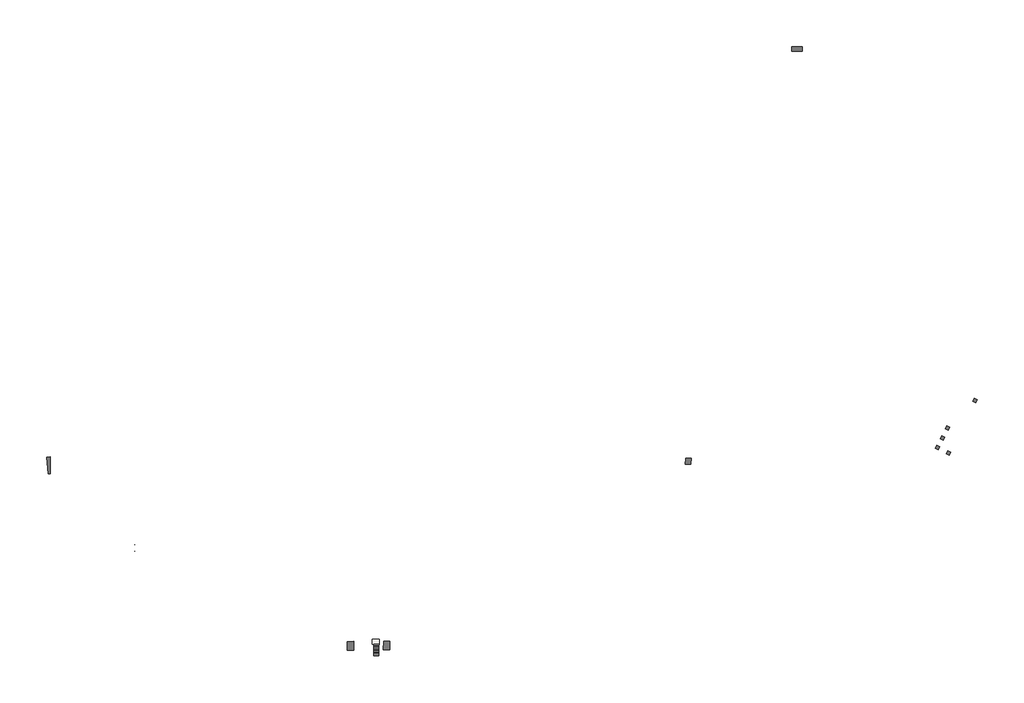
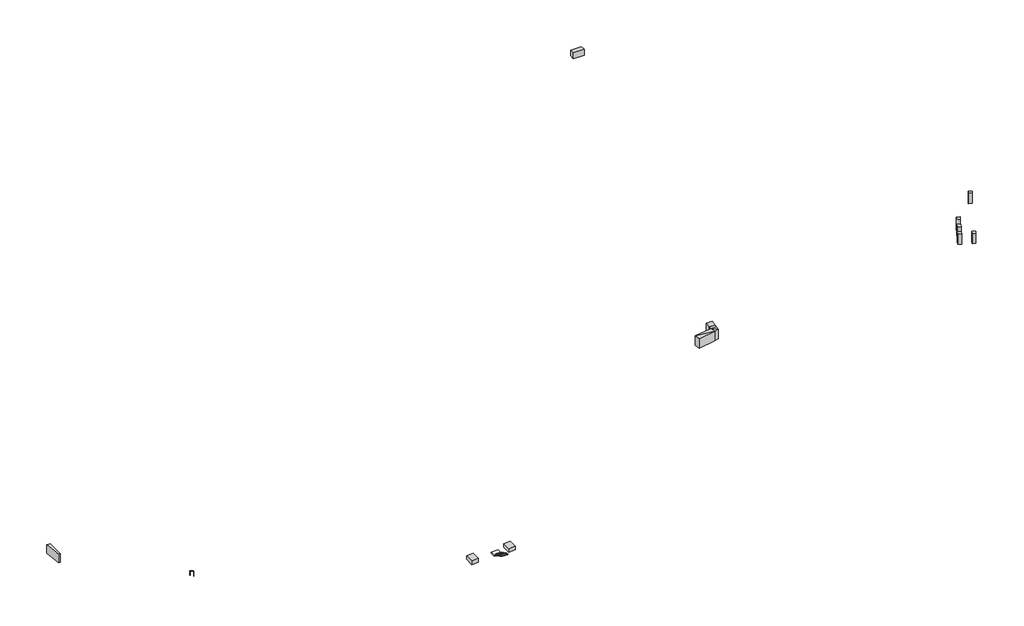
# One storey: 10 proxies, 1 railing, 1 slab, 1 stair flight.
"""IFC4 building model written with IfcOpenShell, lengths in millimetres."""

import ifcopenshell
import ifcopenshell.guid

model = None  # the IFC model being written
_history = None  # IfcOwnerHistory: only IFC2X3 demands one
_inside = {}  # id of a spatial element -> (the spatial element, [elements in it])
_under = {}  # id of a project, library or spatial element -> (it, [spatial elements below it])
_declared = {}  # id of a project -> (the project, [libraries it declares])
_typed = {}  # id of a type object -> (the type object, [elements of that type])
_made_of = {}  # id of a material, layer set ... -> (it, [elements and type objects made of it])


def new_model(schema):
    """Start an empty IFC model of exactly this schema.

    Asked for "IFC4X3", IfcOpenShell would pick the latest addendum, in which some entities
    have other attributes; the version numbers below select the first issue.
    IFC2X3 requires an IfcOwnerHistory on every rooted entity: one is made here for all.
    """
    global model, _history
    if schema == "IFC4X3":
        model = ifcopenshell.file(schema_version=(4, 3, 0, 0))
    else:
        model = ifcopenshell.file(schema=schema)
    _inside.clear()
    _under.clear()
    _declared.clear()
    _typed.clear()
    _made_of.clear()
    _history = None
    if model.schema == "IFC2X3":
        org = make("IfcOrganization", Name="unknown")
        user = make(
            "IfcPersonAndOrganization",
            ThePerson=make("IfcPerson", FamilyName="unknown"),
            TheOrganization=org,
        )
        app = make(
            "IfcApplication",
            ApplicationDeveloper=org,
            Version="unknown",
            ApplicationFullName="unknown",
            ApplicationIdentifier="unknown",
        )
        _history = make(
            "IfcOwnerHistory",
            OwningUser=user,
            OwningApplication=app,
            ChangeAction="ADDED",
            CreationDate=0,
        )
    return model


def make(cls, **values):
    """One entity of the class cls with the attributes given. An attribute that is None is left unset."""
    return model.create_entity(
        cls, **{name: value for name, value in values.items() if value is not None}
    )


def rooted(cls, **values):
    """An entity with a GlobalId (a new one), such as an element, a storey or a relation."""
    return make(cls, GlobalId=ifcopenshell.guid.new(), OwnerHistory=_history, **values)


def si_unit(unit_type, name, prefix=None):
    """IfcSIUnit, for example si_unit("LENGTHUNIT", "METRE", prefix="MILLI")."""
    return make("IfcSIUnit", UnitType=unit_type, Prefix=prefix, Name=name)


def assignment(units):
    """IfcUnitAssignment: the units of a project."""
    return None if units is None else make("IfcUnitAssignment", Units=units)


def point(xyz):
    """IfcCartesianPoint."""
    return None if xyz is None else make("IfcCartesianPoint", Coordinates=xyz)


def direction(xyz):
    """IfcDirection."""
    return None if xyz is None else make("IfcDirection", DirectionRatios=xyz)


def frame(location, z_axis=None, x_axis=None):
    """IfcAxis2Placement3D, a coordinate frame: its origin and axes. An axis left out is left unset."""
    return make(
        "IfcAxis2Placement3D",
        Location=point(location),
        Axis=direction(z_axis),
        RefDirection=direction(x_axis),
    )


def origin():
    """The frame at (0, 0, 0) with its axes left unset."""
    return frame((0.0, 0.0, 0.0))


def place(relative_to, where):
    """IfcLocalPlacement: puts the frame where relative to a parent placement (None: the world)."""
    return make(
        "IfcLocalPlacement", PlacementRelTo=relative_to, RelativePlacement=where
    )


def context(
    kind, dimensions, precision=None, world=None, true_north=None, identifier=None
):
    """IfcGeometricRepresentationContext, for example the 3D "Model" context."""
    return make(
        "IfcGeometricRepresentationContext",
        ContextIdentifier=identifier,
        ContextType=kind,
        CoordinateSpaceDimension=dimensions,
        Precision=precision,
        WorldCoordinateSystem=world,
        TrueNorth=true_north,
    )


def project(units=None, contexts=None):
    """IfcProject with its units and contexts."""
    return rooted(
        "IfcProject",
        Name="project",
        RepresentationContexts=contexts,
        UnitsInContext=assignment(units),
    )


def spatial(cls, under=None, at=None, **own):
    """A site, building, storey or space (cls), placed at a placement, below another one or the project."""
    s = rooted(cls, ObjectPlacement=at, **own)
    if under is not None:
        _under.setdefault(under.id(), (under, []))[1].append(s)
    return s


def polyline(points):
    """IfcPolyline through the points."""
    return make("IfcPolyline", Points=[point(p) for p in points])


def circle_curve(where, radius):
    """IfcCircle in the frame where."""
    return make("IfcCircle", Position=where, Radius=radius)


def ellipse_curve(where, semi_axis1, semi_axis2):
    """IfcEllipse in the frame where."""
    return make(
        "IfcEllipse", Position=where, SemiAxis1=semi_axis1, SemiAxis2=semi_axis2
    )


def outline(outer, holes=None, kind="AREA"):
    """IfcArbitraryClosedProfileDef: a profile drawn as a closed curve; with holes, ...WithVoids."""
    if holes is None:
        return make("IfcArbitraryClosedProfileDef", ProfileType=kind, OuterCurve=outer)
    return make(
        "IfcArbitraryProfileDefWithVoids",
        ProfileType=kind,
        OuterCurve=outer,
        InnerCurves=holes,
    )


def extrude(swept, where, along, depth):
    """IfcExtrudedAreaSolid: the profile swept, set in the frame where, extruded along a direction by depth."""
    return make(
        "IfcExtrudedAreaSolid",
        SweptArea=swept,
        Position=where,
        ExtrudedDirection=direction(along),
        Depth=depth,
    )


def faces_of(points, faces, orient=None, outer=None):
    """IfcFace entities. A face is a list of loops; a loop is a list of indices into points, from 0.

    orient and outer hold one flag for each loop. By default every Orientation is true, the
    first loop of a face is its IfcFaceOuterBound and the others are IfcFaceBound.
    """
    made = []
    for i, loops in enumerate(faces):
        bounds = []
        for j, loop in enumerate(loops):
            is_outer = j == 0 if outer is None else outer[i][j]
            bounds.append(
                make(
                    "IfcFaceOuterBound" if is_outer else "IfcFaceBound",
                    Bound=make("IfcPolyLoop", Polygon=[points[k] for k in loop]),
                    Orientation=True if orient is None else orient[i][j],
                )
            )
        made.append(make("IfcFace", Bounds=bounds))
    return made


def faceted_brep(points, faces, orient=None, outer=None, voids=None):
    """IfcFacetedBrep: a solid bounded by flat faces; with voids (closed shells), ...WithVoids."""
    shared = [point(p) for p in points]
    hull = make("IfcClosedShell", CfsFaces=faces_of(shared, faces, orient, outer))
    if voids is None:
        return make("IfcFacetedBrep", Outer=hull)
    return make(
        "IfcFacetedBrepWithVoids",
        Outer=hull,
        Voids=[
            make(cls, CfsFaces=faces_of(shared, fs, o, b)) for cls, fs, o, b in voids
        ],
    )


def shape(context_of_items, identifier, shape_type, items):
    """IfcShapeRepresentation: the items that make up one representation, for example the "Body"."""
    return make(
        "IfcShapeRepresentation",
        ContextOfItems=context_of_items,
        RepresentationIdentifier=identifier,
        RepresentationType=shape_type,
        Items=items,
    )


def made_of(thing, what):
    """Note that an element or type object is made of a material, layer set ...; save() writes the relation."""
    if what is not None:
        _made_of.setdefault(what.id(), (what, []))[1].append(thing)
    return thing


def element(
    cls,
    number,
    at=None,
    inside=None,
    cuts=None,
    type_object=None,
    material=None,
    context=None,
    identifier="Body",
    shape_type=None,
    held_by="IfcProductDefinitionShape",
    body=None,
    shapes=None,
    **own,
):
    """One element of the class cls, such as IfcWall. Its Tag is "e" and its number.

    at: its placement. inside: the storey or other place that contains it. cuts: it is an
    opening in that element (IfcRelVoidsElement). A single representation is given by context,
    identifier, shape_type and body (its items); several are given by shapes. held_by: the class
    of the entity that holds the representations. save() writes the other relations.
    """
    e = rooted(cls, Tag="e%d" % number, ObjectPlacement=at, **own)
    if body is not None:
        shapes = [shape(context, identifier, shape_type, body)]
    if shapes is not None:
        e.Representation = make(held_by, Representations=shapes)
    if inside is not None:
        _inside.setdefault(inside.id(), (inside, []))[1].append(e)
    if cuts is not None:
        rooted(
            "IfcRelVoidsElement", RelatingBuildingElement=cuts, RelatedOpeningElement=e
        )
    if type_object is not None:
        _typed.setdefault(type_object.id(), (type_object, []))[1].append(e)
    return made_of(e, material)


def aggregate(whole, parts):
    """IfcRelAggregates: a whole, such as a stair, and the parts it consists of."""
    return rooted("IfcRelAggregates", RelatingObject=whole, RelatedObjects=parts)


def save(model, path):
    """Write the relations noted so far, then the file.

    IfcRelAggregates (storeys below a building ...), IfcRelContainedInSpatialStructure (elements
    in a storey), IfcRelDefinesByType, IfcRelAssociatesMaterial and IfcRelDeclares: one each for
    every whole, place, type object, material and project.
    """
    for whole, parts in _under.values():
        aggregate(whole, parts)
    for where, things in _inside.values():
        rooted(
            "IfcRelContainedInSpatialStructure",
            RelatedElements=things,
            RelatingStructure=where,
        )
    for kind, things in _typed.values():
        rooted("IfcRelDefinesByType", RelatedObjects=things, RelatingType=kind)
    for what, things in _made_of.values():
        rooted("IfcRelAssociatesMaterial", RelatedObjects=things, RelatingMaterial=what)
    for by, libraries in _declared.values():
        rooted("IfcRelDeclares", RelatingContext=by, RelatedDefinitions=libraries)
    model.write(path)


def plane_surface(at):
    """IfcPlane: the flat surface through the origin of the frame at, square to its z axis."""
    return make("IfcPlane", Position=at)


def cylinder_surface(at, radius):
    """IfcCylindricalSurface: all points at the distance radius from the z axis of the frame at."""
    return make("IfcCylindricalSurface", Position=at, Radius=radius)


def advanced_brep(points, edges, surfaces, faces):
    """IfcAdvancedBrep: a solid bounded by faces that lie on surfaces and meet in shared edges.

    An edge is (start, end): straight between two places in points (the first is 0);
    or (start, end, curve); or (start, end, curve, False) where it runs against its curve.
    A face is (place in surfaces, loops), or (place, loops, False) where it looks against
    its surface's normal. A loop lists edges by number (the first is 1), with a minus sign
    where the edge is run from its end to its start. The first loop is the outer one.
    """
    corners = [point(p) for p in points]
    vertices = [make("IfcVertexPoint", VertexGeometry=c) for c in corners]
    made = []
    for start, end, *more in edges:
        made.append(
            make(
                "IfcEdgeCurve",
                EdgeStart=vertices[start],
                EdgeEnd=vertices[end],
                EdgeGeometry=more[0] if more else make("IfcPolyline", Points=[corners[start], corners[end]]),
                SameSense=more[1] if len(more) > 1 else True,
            )
        )
    hull = []
    for where, loops, *sense in faces:
        bounds = []
        for j, loop in enumerate(loops):
            ring = [make("IfcOrientedEdge", EdgeElement=made[abs(k) - 1], Orientation=k > 0) for k in loop]
            bounds.append(
                make(
                    "IfcFaceOuterBound" if j == 0 else "IfcFaceBound",
                    Bound=make("IfcEdgeLoop", EdgeList=ring),
                    Orientation=True,
                )
            )
        hull.append(make("IfcAdvancedFace", Bounds=bounds, FaceSurface=surfaces[where], SameSense=sense[0] if sense else True))
    return make("IfcAdvancedBrep", Outer=make("IfcClosedShell", CfsFaces=hull))


model = new_model("IFC4")

# Units and contexts
model_context = context("Model", 3, world=origin())
ifc_project = project(units=[si_unit("LENGTHUNIT", "METRE", prefix="MILLI")], contexts=[model_context])

# Site, building, storey
site = spatial("IfcSite", under=ifc_project)
building = spatial("IfcBuilding", under=site)
storey = spatial("IfcBuildingStorey", under=building, Elevation=-3934.3300331)

# Proxies
placement = place(None, origin())
element("IfcBuildingElementProxy", 1, Name="Massa 113 : Massa 7", ObjectType="Massa 113 : Massa 7", at=placement, inside=storey, context=model_context, shape_type="Brep", body=[
    faceted_brep([(-3447.7298063, -37809.1244094, -3333.4524144), (-3447.7298063, -35816.3892812, -3333.4524144), (-3447.7298063, -35816.3892812, -2415.5), (-3447.7298063, -37809.1244094, -2415.5), (-3447.7298063, -37809.1244094, -2641.8870168), (-3447.7298063, -37809.1244094, -3196.5), (-4943.6373922, -35818.8825215, -3333.4524144), (-4943.6373922, -35818.8825215, -3196.5), (-4943.6373922, -35818.8825215, -2622.1179306), (-4943.6373922, -35818.8825215, -2415.5), (-4960.1053919, -37809.1244094, -3333.4524144), (-4960.1053919, -37809.1244094, -3196.5), (-4960.1053919, -37809.1244094, -2639.0795165), (-4960.1053919, -37809.1244094, -2415.5)], [[[0, 1, 2, 3, 4, 5]], [[1, 6, 7, 8, 9, 2]], [[6, 10, 11, 12, 13, 9, 8, 7]], [[10, 0, 5, 4, 3, 13, 12, 11]], [[3, 2, 9, 13]], [[0, 10, 6, 1]]]),
])
element("IfcBuildingElementProxy", 2, Name="Massa 114 : Massa 8", ObjectType="Massa 114 : Massa 8", at=placement, inside=storey, context=model_context, shape_type="Brep", body=[
    faceted_brep([(3440.0178902, -35804.9094209, -3348.1562613), (3416.5694245, -37758.8282959, -3348.1562613), (3416.5694245, -37758.8282959, -3196.5), (3416.5694245, -37758.8282959, -2635.661353), (3416.5694245, -37758.8282959, -2515.5), (3440.0178902, -35804.9094209, -2515.5), (4907.0787062, -37779.4154406, -3348.1562613), (4907.0787062, -37779.4154406, -3196.5), (4907.0787062, -37779.4154406, -2633.922315), (4907.0787062, -37779.4154406, -2515.5), (4918.7537297, -35802.4448009, -3348.1562613), (4918.7537297, -35802.4448009, -3196.5), (4918.7537297, -35802.4448009, -2617.6160425), (4918.7537297, -35802.4448009, -2515.5)], [[[0, 1, 2, 3, 4, 5]], [[1, 6, 7, 8, 9, 4, 3, 2]], [[6, 10, 11, 12, 13, 9, 8, 7]], [[10, 0, 5, 13, 12, 11]], [[4, 9, 13, 5]], [[0, 10, 6, 1]]]),
])
element("IfcBuildingElementProxy", 3, Name="Massa 16 : Massa 16", ObjectType="Massa 16 : Massa 16", at=placement, inside=storey, context=model_context, shape_type="Brep", body=[
    faceted_brep([(69226.9472829, 3718.215702, -2417.1498784), (69321.6985606, 3078.0591868, -2433.6577781), (69408.7836801, 2489.696603, -2448.8300528), (69408.7836801, 2489.696603, -186.839449), (69226.9472829, 3718.215702, -155.1592746), (73487.0720643, 3431.2436652, -2643.9942912), (73487.0720643, 3431.2436652, -2409.1054455), (73487.0720643, 3431.2436652, -382.0036874), (74383.4925239, 3638.1986352, -2653.180559), (74383.4925239, 3638.1986352, -2399.6695136), (74383.4925239, 3638.1986352, -391.1899552), (74493.8274541, 4562.4558329, -2682.4906039), (74493.8274541, 4562.4558329, -2399.582581), (74493.8274541, 4562.4558329, -2240.5), (74493.8274541, 4562.4558329, -420.5), (74515.2077555, 4741.5550302, -2682.4906039), (74572.0607148, 5217.8027311, -2682.4906039), (74572.0607148, 5217.8027311, -420.5), (74392.4875332, 5217.6583789, -2682.4906039), (73268.1937764, 5216.754601, -2682.4906039), (73268.1937764, 5216.754601, -420.5), (73268.1937764, 4672.318621, -2682.4906039), (73268.1937764, 4577.2091616, -2682.4906039), (73268.1937764, 4577.2091616, -2407.599672), (73268.1937764, 4577.2091616, -420.5), (69275.1210639, 3728.4553553, -2420.3128793), (73295.0102157, 4436.8082364, -2677.7741286), (69293.0283356, 3713.7643267, -2420.6685823), (74073.0832528, 4567.52046, -2682.4906039), (73417.3772722, 4451.6061577, -2678.5700624)], [[[0, 1, 2, 3, 4]], [[2, 5, 6, 7, 3]], [[5, 8, 9, 10, 7, 6]], [[8, 11, 12, 13, 14, 10, 9]], [[11, 15, 16, 17, 14, 13, 12]], [[16, 18, 19, 20, 17]], [[19, 21, 22, 23, 24, 20]], [[22, 25, 0, 4, 24, 23]], [[20, 24, 14, 17]], [[4, 3, 7]], [[24, 4, 7]], [[22, 26, 5, 27, 0, 25]], [[5, 2, 1, 0, 27]], [[22, 21, 19, 18, 16, 15, 11, 28]], [[24, 7, 10]], [[22, 29, 8, 5, 26]], [[24, 10, 14]], [[22, 28, 11, 8, 29]]]),
    faceted_brep([(73268.1937764, 5216.754601, -3297.6589611), (73268.1937764, 5216.754601, -420.5), (73395.8867447, 6617.3687329, -420.5), (73395.8867447, 6617.3687329, -3297.6589611), (74572.0607148, 5217.8027311, -420.5), (74699.7536831, 6618.4168629, -420.5), (74572.0607148, 5217.8027311, -2682.4906039), (74572.0607148, 5217.8027311, -2881.3832932), (74572.0607148, 5217.8027311, -3149.3336572), (74572.0607148, 5217.8027311, -3176.8523774), (74572.0607148, 5217.8027311, -3297.6589611), (74699.7536831, 6618.4168629, -3297.6589611)], [[[0, 1, 2, 3]], [[1, 4, 5, 2]], [[4, 6, 7, 8, 9, 10, 11, 5]], [[10, 0, 3, 11]], [[11, 3, 2, 5]], [[0, 10, 9, 8, 7, 6, 4, 1]]]),
])
element("IfcBuildingElementProxy", 4, Name="Massa 4 : Massa 4", ObjectType="Massa 4 : Massa 4", at=placement, inside=storey, context=model_context, shape_type="Brep", body=[
    faceted_brep([(100309.828737, 100751.3537217, -1932.2284817), (97911.7064305, 100751.3537217, -1932.2284817), (97911.7064305, 100751.3537217, -2435.1023944), (97911.7064305, 100751.3537217, -2820.5), (97911.7064305, 100751.3537217, -3317.705212), (100309.828737, 100751.3537217, -3317.705212), (100309.828737, 100751.3537217, -2820.5), (100309.828737, 100751.3537217, -2397.0751134), (100309.828737, 101865.4936384, -1932.2284817), (100309.828737, 101865.4936384, -3317.705212), (100309.828737, 101865.4936384, -2820.5), (100309.828737, 101865.4936384, -2431.0878775), (97909.6922788, 101842.8746773, -1932.2284817), (97909.6922788, 101842.8746773, -3317.705212), (97909.6922788, 101842.8746773, -2820.5), (97909.6922788, 101842.8746773, -2429.6308857)], [[[0, 1, 2, 3, 4, 5, 6, 7]], [[8, 0, 7, 6, 5, 9, 10, 11]], [[12, 8, 11, 10, 9, 13, 14, 15]], [[1, 12, 15, 14, 13, 4, 3, 2]], [[13, 9, 5, 4]], [[1, 0, 8, 12]]]),
])
element("IfcBuildingElementProxy", 5, Name="Massa 74 : Massa 25", ObjectType="Massa 74 : Massa 25", at=placement, inside=storey, context=model_context, shape_type="Brep", body=[
    faceted_brep([(133346.2437846, 11461.9256599, -3421.4232217), (132644.1262503, 11816.6452111, -3421.4232217), (132644.1262503, 11816.6452111, -2973.75), (132644.1262503, 11816.6452111, -2923.75), (132644.1262503, 11816.6452111, -2675.5), (132644.1262503, 11816.6452111, -2328.9641927), (132644.1262503, 11816.6452111, -877.9693511), (133346.2437846, 11461.9256599, -877.9693511), (133346.2437846, 11461.9256599, -2330.5404091), (133346.2437846, 11461.9256599, -2675.5), (133346.2437846, 11461.9256599, -2923.75), (133346.2437846, 11461.9256599, -2973.75), (132295.6368906, 11126.8594658, -3421.4232217), (132295.6368906, 11126.8594658, -2973.75), (132295.6368906, 11126.8594658, -2923.75), (132295.6368906, 11126.8594658, -2675.5), (132295.6368906, 11126.8594658, -2333.5668332), (132295.6368906, 11126.8594658, -877.9693511), (132997.7544248, 10772.1399146, -3421.4232217), (132997.7544248, 10772.1399146, -2973.75), (132997.7544248, 10772.1399146, -2923.75), (132997.7544248, 10772.1399146, -2675.5), (132997.7544248, 10772.1399146, -2335.0856109), (132997.7544248, 10772.1399146, -877.9693511)], [[[0, 1, 2, 3, 4, 5, 6, 7, 8, 9, 10, 11]], [[1, 12, 13, 14, 15, 16, 17, 6, 5, 4, 3, 2]], [[12, 18, 19, 20, 21, 22, 23, 17, 16, 15, 14, 13]], [[18, 0, 11, 10, 9, 8, 7, 23, 22, 21, 20, 19]], [[17, 23, 7, 6]], [[0, 18, 12, 1]]]),
])
element("IfcBuildingElementProxy", 6, Name="Massa 8 : Massa 8", ObjectType="Massa 8 : Massa 8", at=placement, inside=storey, context=model_context, shape_type="SweptSolid", body=[
    extrude(outline(polyline([(-74140.8944811, 2984.2797819), (-74548.5554878, 6862.9151738), (-73740.8944811, 6947.8037663), (-73740.8944811, 2984.2797819), (-74140.8944811, 2984.2797819)])), frame((0.0, 0.0, -3414.2469863), z_axis=(0.0, 0.0, 1.0), x_axis=(1.0, 0.0, 0.0)), (0.0, 0.0, 1.0), 1993.7469863),
])
element("IfcBuildingElementProxy", 7, Name="Massa 90 : Massa 25", ObjectType="Massa 90 : Massa 25", at=placement, inside=storey, context=model_context, shape_type="Brep", body=[
    faceted_brep([(140878.8091078, 20142.213138, -3275.4676302), (140176.6915736, 20496.9326892, -3275.4676302), (140176.6915736, 20496.9326892, -2965.9679788), (140176.6915736, 20496.9326892, -2915.9679788), (140176.6915736, 20496.9326892, -2675.5), (140176.6915736, 20496.9326892, -2276.2531677), (140176.6915736, 20496.9326892, -877.9693511), (140878.8091078, 20142.213138, -877.9693511), (140878.8091078, 20142.213138, -2275.7838734), (140878.8091078, 20142.213138, -2675.5), (140878.8091078, 20142.213138, -2915.9679788), (140878.8091078, 20142.213138, -2965.9679788), (139828.2022138, 19807.1469439, -3275.4676302), (139828.2022138, 19807.1469439, -2965.9679788), (139828.2022138, 19807.1469439, -2915.9679788), (139828.2022138, 19807.1469439, -2675.5), (139828.2022138, 19807.1469439, -2280.0263945), (139828.2022138, 19807.1469439, -877.9693511), (140530.319748, 19452.4273927, -3275.4676302), (140530.319748, 19452.4273927, -2965.9679788), (140530.319748, 19452.4273927, -2915.9679788), (140530.319748, 19452.4273927, -2675.5), (140530.319748, 19452.4273927, -2278.2678205), (140530.319748, 19452.4273927, -877.9693511)], [[[0, 1, 2, 3, 4, 5, 6, 7, 8, 9, 10, 11]], [[1, 12, 13, 14, 15, 16, 17, 6, 5, 4, 3, 2]], [[12, 18, 19, 20, 21, 22, 23, 17, 16, 15, 14, 13]], [[18, 0, 11, 10, 9, 8, 7, 23, 22, 21, 20, 19]], [[17, 23, 7, 6]], [[0, 18, 12, 1]]]),
])
element("IfcBuildingElementProxy", 8, Name="Massa 93 : Massa 25", ObjectType="Massa 93 : Massa 25", at=placement, inside=storey, context=model_context, shape_type="Brep", body=[
    faceted_brep([(134482.594192, 13711.1717006, -3481.6443606), (133780.4766578, 14065.8912518, -3481.6443606), (133780.4766578, 14065.8912518, -2953.75), (133780.4766578, 14065.8912518, -2903.75), (133780.4766578, 14065.8912518, -2675.5), (133780.4766578, 14065.8912518, -2314.1432471), (133780.4766578, 14065.8912518, -877.9693511), (134482.594192, 13711.1717006, -877.9693511), (134482.594192, 13711.1717006, -2315.7194636), (134482.594192, 13711.1717006, -2675.5), (134482.594192, 13711.1717006, -2903.75), (134482.594192, 13711.1717006, -2953.75), (133431.987298, 13376.1055065, -3481.6443606), (133431.987298, 13376.1055065, -2953.75), (133431.987298, 13376.1055065, -2903.75), (133431.987298, 13376.1055065, -2675.5), (133431.987298, 13376.1055065, -2318.6884488), (133431.987298, 13376.1055065, -877.9693511), (134134.1048322, 13021.3859552, -3481.6443606), (134134.1048322, 13021.3859552, -2953.75), (134134.1048322, 13021.3859552, -2903.75), (134134.1048322, 13021.3859552, -2675.5), (134134.1048322, 13021.3859552, -2320.2646653), (134134.1048322, 13021.3859552, -877.9693511)], [[[0, 1, 2, 3, 4, 5, 6, 7, 8, 9, 10, 11]], [[1, 12, 13, 14, 15, 16, 17, 6, 5, 4, 3, 2]], [[12, 18, 19, 20, 21, 22, 23, 17, 16, 15, 14, 13]], [[18, 0, 11, 10, 9, 8, 7, 23, 22, 21, 20, 19]], [[17, 23, 7, 6]], [[0, 18, 12, 1]]]),
])
element("IfcBuildingElementProxy", 9, Name="Massa 97 : Massa 25", ObjectType="Massa 97 : Massa 25", at=placement, inside=storey, context=model_context, shape_type="Brep", body=[
    faceted_brep([(132203.2300131, 9256.1939847, -3321.0420795), (131514.7287646, 9604.0343989, -3321.0420795), (131514.7287646, 9604.0343989, -2953.75), (131514.7287646, 9604.0343989, -2903.75), (131514.7287646, 9604.0343989, -2675.5), (131514.7287646, 9604.0343989, -2344.0734778), (131514.7287646, 9604.0343989, -877.9693511), (132203.2300131, 9256.1939847, -877.9693511), (132203.2300131, 9256.1939847, -2345.4381761), (132203.2300131, 9256.1939847, -2675.5), (132203.2300131, 9256.1939847, -2903.75), (132203.2300131, 9256.1939847, -2953.75), (131166.2394048, 8914.2486536, -3321.0420795), (131166.2394048, 8914.2486536, -2953.75), (131166.2394048, 8914.2486536, -2903.75), (131166.2394048, 8914.2486536, -2675.5), (131166.2394048, 8914.2486536, -2348.8263645), (131166.2394048, 8914.2486536, -877.9693511), (131854.7406533, 8566.4082394, -3321.0420795), (131854.7406533, 8566.4082394, -2953.75), (131854.7406533, 8566.4082394, -2903.75), (131854.7406533, 8566.4082394, -2675.5), (131854.7406533, 8566.4082394, -2350.1910627), (131854.7406533, 8566.4082394, -877.9693511)], [[[0, 1, 2, 3, 4, 5, 6, 7, 8, 9, 10, 11]], [[1, 12, 13, 14, 15, 16, 17, 6, 5, 4, 3, 2]], [[12, 18, 19, 20, 21, 22, 23, 17, 16, 15, 14, 13]], [[18, 0, 11, 10, 9, 8, 7, 23, 22, 21, 20, 19]], [[17, 23, 7, 6]], [[0, 18, 12, 1]]]),
])
element("IfcBuildingElementProxy", 10, Name="Massa 98 : Massa 25", ObjectType="Massa 98 : Massa 25", at=placement, inside=storey, context=model_context, shape_type="Brep", body=[
    faceted_brep([(134685.8071145, 7994.5871707, -3248.5081002), (134004.0666729, 8339.011931, -3248.5081002), (134004.0666729, 8339.011931, -2953.75), (134004.0666729, 8339.011931, -2903.75), (134004.0666729, 8339.011931, -2675.5), (134004.0666729, 8339.011931, -2349.1875227), (134004.0666729, 8339.011931, -877.9693511), (134685.8071145, 7994.5871707, -877.9693511), (134685.8071145, 7994.5871707, -2350.7179937), (134685.8071145, 7994.5871707, -2675.5), (134685.8071145, 7994.5871707, -2903.75), (134685.8071145, 7994.5871707, -2953.75), (133660.0675285, 7658.1139365, -3248.5081002), (133660.0675285, 7658.1139365, -2953.75), (133660.0675285, 7658.1139365, -2903.75), (133660.0675285, 7658.1139365, -2675.5), (133660.0675285, 7658.1139365, -2353.7456758), (133660.0675285, 7658.1139365, -877.9693511), (134341.8079701, 7313.6891761, -3248.5081002), (134341.8079701, 7313.6891761, -2953.75), (134341.8079701, 7313.6891761, -2903.75), (134341.8079701, 7313.6891761, -2675.5), (134341.8079701, 7313.6891761, -2355.2046314), (134341.8079701, 7313.6891761, -877.9693511)], [[[0, 1, 2, 3, 4, 5, 6, 7, 8, 9, 10, 11]], [[1, 12, 13, 14, 15, 16, 17, 6, 5, 4, 3, 2]], [[12, 18, 19, 20, 21, 22, 23, 17, 16, 15, 14, 13]], [[18, 0, 11, 10, 9, 8, 7, 23, 22, 21, 20, 19]], [[17, 23, 7, 6]], [[0, 18, 12, 1]]]),
])

# Railing
element("IfcRailing", 11, at=placement, inside=storey, context=model_context, shape_type="AdvancedBrep", body=[
    advanced_brep(
    [(-54157.0327929, -13463.1349465, -2391.0), (-54117.0328015, -13463.1087093, -2391.0), (-54156.0488972, -14963.1346238, -1553.9166667), (-54116.0489058, -14963.1083866, -1553.9166667)],
    [
        (0, 1, ellipse_curve(frame((-54137.0327972, -13463.1218279, -2391.0), z_axis=(-0.0006559304633786267, 0.9999997848775906, 0.0), x_axis=(0.0, 0.0, -1.0)), 22.9035019, 20.0)),
        (1, 0, ellipse_curve(frame((-54137.0327972, -13463.1218279, -2391.0), z_axis=(-0.0006559304633786267, 0.9999997848775906, 0.0), x_axis=(0.0, 0.0, -1.0)), 22.9035019, 20.0)),
        (2, 3, ellipse_curve(frame((-54136.0489015, -14963.1215052, -1553.9166667), z_axis=(0.0006559304633786267, -0.9999997848775906, 0.0), x_axis=(0.0, 0.0, -1.0)), 22.9035019, 20.0)),
        (3, 2, ellipse_curve(frame((-54136.0489015, -14963.1215052, -1553.9166667), z_axis=(0.0006559304633786267, -0.9999997848775906, 0.0), x_axis=(0.0, 0.0, -1.0)), 22.9035019, 20.0)),
        (0, 2),
        (3, 1),
    ],
    [
        plane_surface(frame((-54137.0327972, -13463.1218279, -2391.0), z_axis=(-0.0006559304633786267, 0.9999997848775906, 0.0), x_axis=(0.0, 0.0, -1.0))),
        plane_surface(frame((-54136.0489015, -14963.1215052, -1553.9166667), z_axis=(0.0006559304633786267, -0.9999997848775906, 0.0), x_axis=(0.0, 0.0, -1.0))),
        cylinder_surface(frame((-54137.0327972, -13463.1218279, -2391.0), z_axis=(-0.0005727774425260985, 0.8732287205544946, -0.4873102436074596), x_axis=(0.9999997848775904, 0.0006559304633786266, 0.0)), 20.0),
    ],
    [
        (0, [[1, 2]]),
        (1, [[3, 4]]),
        (2, [[-1, 5, -4, 6]]),
        (2, [[-2, -6, -3, -5]]),
    ],
),
    advanced_brep(
    [(-54156.0414753, -14963.1346189, -1576.8201686), (-54156.0414753, -14963.1346189, -2771.3333333), (-54136.0357877, -14983.114079, -2771.3333333), (-54116.0563276, -14963.1083915, -2771.3333333), (-54116.0563276, -14963.1083915, -1576.8201686), (-54136.0357877, -14983.114079, -1565.6631993), (-54136.0620152, -14943.1289314, -1587.9771379), (-54136.0620152, -14943.1289314, -2771.3333333)],
    [
        (0, 1),
        (1, 2, circle_curve(frame((-54136.0489015, -14963.1215052, -2771.3333333), z_axis=(0.0, 0.0, 1.0), x_axis=(0.9999997848775904, 0.0006559304633786266, 0.0)), 19.9925781)),
        (2, 3, circle_curve(frame((-54136.0489015, -14963.1215052, -2771.3333333), z_axis=(0.0, 0.0, 1.0), x_axis=(0.9999997848775904, 0.0006559304633786266, 0.0)), 19.9925781)),
        (3, 4),
        (4, 5, ellipse_curve(frame((-54136.0489015, -14963.1215052, -1576.8201686), z_axis=(0.0003196416338985898, -0.48731013877610185, -0.8732289084056037), x_axis=(0.0005727774425261, -0.8732287205544969, 0.4873102436074555)), 22.8950026, 19.9925781)),
        (5, 0, ellipse_curve(frame((-54136.0489015, -14963.1215052, -1576.8201686), z_axis=(0.0003196416338985898, -0.48731013877610185, -0.8732289084056037), x_axis=(0.0005727774425261, -0.8732287205544969, 0.4873102436074555)), 22.8950026, 19.9925781)),
        (0, 6, ellipse_curve(frame((-54136.0489015, -14963.1215052, -1576.8201686), z_axis=(0.0003196416338985898, -0.48731013877610185, -0.8732289084056037), x_axis=(0.0005727774425261, -0.8732287205544969, 0.4873102436074555)), 22.8950026, 19.9925781)),
        (6, 4, ellipse_curve(frame((-54136.0489015, -14963.1215052, -1576.8201686), z_axis=(0.0003196416338985898, -0.48731013877610185, -0.8732289084056037), x_axis=(0.0005727774425261, -0.8732287205544969, 0.4873102436074555)), 22.8950026, 19.9925781)),
        (3, 7, circle_curve(frame((-54136.0489015, -14963.1215052, -2771.3333333), z_axis=(0.0, 0.0, 1.0), x_axis=(0.9999997848775904, 0.0006559304633786266, 0.0)), 19.9925781)),
        (7, 1, circle_curve(frame((-54136.0489015, -14963.1215052, -2771.3333333), z_axis=(0.0, 0.0, 1.0), x_axis=(0.9999997848775904, 0.0006559304633786266, 0.0)), 19.9925781)),
    ],
    [
        cylinder_surface(frame((-54136.0489015, -14963.1215052, -2999.9333333), z_axis=(0.0, 0.0, 1.0), x_axis=(0.9999997848775904, 0.0006559304633786266, 0.0)), 19.9925781),
        plane_surface(frame((-54116.0432139, -14983.1009653, -1565.6631993), z_axis=(-0.0003196416338985898, 0.48731013877610185, 0.8732289084056037), x_axis=(-0.9999997848775904, -0.0006559304633786266, 0.0))),
        plane_surface(frame((-54116.0694414, -14943.1158176, -2771.3333333), z_axis=(0.0, 0.0, -1.0), x_axis=(-0.9999997848775904, -0.0006559304633786266, 0.0))),
    ],
    [
        (0, [[1, 2, 3, 4, 5, 6]]),
        (0, [[-1, 7, 8, -4, 9, 10]]),
        (1, [[-6, -5, -8, -7]]),
        (2, [[-2, -10, -9, -3]]),
    ],
),
    advanced_brep(
    [(-54157.025371, -13463.1349416, -2413.9035019), (-54157.025371, -13463.1349416, -3441.0), (-54137.0196834, -13483.1144017, -3441.0), (-54117.0402233, -13463.1087141, -3441.0), (-54117.0402233, -13463.1087141, -2413.9035019), (-54137.0196834, -13483.1144017, -2402.7465327), (-54137.0459109, -13443.1292541, -2425.0604712), (-54137.0459109, -13443.1292541, -3441.0)],
    [
        (0, 1),
        (1, 2, circle_curve(frame((-54137.0327972, -13463.1218279, -3441.0), z_axis=(0.0, 0.0, 1.0), x_axis=(0.9999997848775904, 0.0006559304633786266, 0.0)), 19.9925781)),
        (2, 3, circle_curve(frame((-54137.0327972, -13463.1218279, -3441.0), z_axis=(0.0, 0.0, 1.0), x_axis=(0.9999997848775904, 0.0006559304633786266, 0.0)), 19.9925781)),
        (3, 4),
        (4, 5, ellipse_curve(frame((-54137.0327972, -13463.1218279, -2413.9035019), z_axis=(0.0003196416338985898, -0.48731013877610185, -0.8732289084056037), x_axis=(0.0005727774425261, -0.8732287205544969, 0.4873102436074555)), 22.8950026, 19.9925781)),
        (5, 0, ellipse_curve(frame((-54137.0327972, -13463.1218279, -2413.9035019), z_axis=(0.0003196416338985898, -0.48731013877610185, -0.8732289084056037), x_axis=(0.0005727774425261, -0.8732287205544969, 0.4873102436074555)), 22.8950026, 19.9925781)),
        (0, 6, ellipse_curve(frame((-54137.0327972, -13463.1218279, -2413.9035019), z_axis=(0.0003196416338985898, -0.48731013877610185, -0.8732289084056037), x_axis=(0.0005727774425261, -0.8732287205544969, 0.4873102436074555)), 22.8950026, 19.9925781)),
        (6, 4, ellipse_curve(frame((-54137.0327972, -13463.1218279, -2413.9035019), z_axis=(0.0003196416338985898, -0.48731013877610185, -0.8732289084056037), x_axis=(0.0005727774425261, -0.8732287205544969, 0.4873102436074555)), 22.8950026, 19.9925781)),
        (3, 7, circle_curve(frame((-54137.0327972, -13463.1218279, -3441.0), z_axis=(0.0, 0.0, 1.0), x_axis=(0.9999997848775904, 0.0006559304633786266, 0.0)), 19.9925781)),
        (7, 1, circle_curve(frame((-54137.0327972, -13463.1218279, -3441.0), z_axis=(0.0, 0.0, 1.0), x_axis=(0.9999997848775904, 0.0006559304633786266, 0.0)), 19.9925781)),
    ],
    [
        cylinder_surface(frame((-54137.0327972, -13463.1218279, -3669.6), z_axis=(0.0, 0.0, 1.0), x_axis=(0.9999997848775904, 0.0006559304633786266, 0.0)), 19.9925781),
        plane_surface(frame((-54117.0271096, -13483.101288, -2402.7465327), z_axis=(-0.0003196416338985898, 0.48731013877610185, 0.8732289084056037), x_axis=(-0.9999997848775904, -0.0006559304633786266, 0.0))),
        plane_surface(frame((-54117.0533371, -13443.1161403, -3441.0), z_axis=(0.0, 0.0, -1.0), x_axis=(-0.9999997848775904, -0.0006559304633786266, 0.0))),
    ],
    [
        (0, [[1, 2, 3, 4, 5, 6]]),
        (0, [[-1, 7, 8, -4, 9, 10]]),
        (1, [[-6, -5, -8, -7]]),
        (2, [[-2, -10, -9, -3]]),
    ],
),
])

# Slab
element("IfcSlab", 12, at=placement, inside=storey, context=model_context, shape_type="SweptSolid", body=[
    extrude(outline(polyline([(858.5222388, -36496.774858), (852.1718433, -35320.1366608), (2411.8526196, -35330.9985088), (2387.6311841, -36497.5915143), (858.5222388, -36496.774858)])), frame((0.0, 0.0, -4254.3300331), z_axis=(0.0, 0.0, 1.0), x_axis=(1.0, 0.0, 0.0)), (0.0, 0.0, 1.0), 320.0),
])

# Stair flight
element("IfcStairFlight", 13, ObjectType="3/4\" Nosing", at=placement, inside=storey, context=model_context, shape_type="Brep", body=[
    faceted_brep([(2382.7560975, -36793.4048885, -3776.5470298), (2388.8204993, -36488.6048885, -3776.5470298), (1187.6567811, -36488.6048885, -3776.5470298), (1181.7102802, -36793.4048885, -3776.5470298), (2382.7560975, -36793.4048885, -3934.3300331), (2388.8204993, -36488.6048885, -3934.3300331), (1187.6567811, -36488.6048885, -3934.3300331), (1181.7102802, -36793.4048885, -3934.3300331), (2376.890659, -37088.2048885, -3618.7640265), (2382.7560975, -36793.4048885, -3618.7640265), (1181.7102802, -36793.4048885, -3618.7640265), (1175.9588744, -37088.2048885, -3618.7640265), (2376.890659, -37088.2048885, -3819.7250756), (2381.2238936, -36870.4142576, -3934.3300331), (1180.2078646, -36870.4142576, -3934.3300331), (1175.9588744, -37088.2048885, -3819.7250756), (2370.9257388, -37388.0048885, -3460.9810232), (2376.890659, -37088.2048885, -3460.9810232), (1175.9588744, -37088.2048885, -3460.9810232), (1170.1099211, -37388.0048885, -3460.9810232), (2370.9257388, -37388.0048885, -3661.9654596), (1170.1099211, -37388.0048885, -3661.9654596), (2364.8613369, -37692.8048885, -3303.1980199), (2370.9257388, -37388.0048885, -3303.1980199), (1170.1099211, -37388.0048885, -3303.1980199), (1164.1634202, -37692.8048885, -3303.1980199), (2364.8613369, -37692.8048885, -3501.5747627), (1164.1634202, -37692.8048885, -3501.5747627), (2358.9958984, -37987.6048885, -3145.4150166), (2364.8613369, -37692.8048885, -3145.4150166), (1164.1634202, -37692.8048885, -3145.4150166), (1158.4120145, -37987.6048885, -3145.4150166), (2358.9958984, -37987.6048885, -3346.4462278), (1158.4120145, -37987.6048885, -3346.4462278), (2353.1304599, -38282.4048885, -2987.6320133), (2358.9958984, -37987.6048885, -2987.6320133), (1158.4120145, -37987.6048885, -2987.6320133), (1152.6606087, -38282.4048885, -2987.6320133), (2353.1304599, -38282.4048885, -3191.3176928), (1152.6606087, -38282.4048885, -3191.3176928), (2347.0660581, -38587.2048885, -2829.8490099), (2353.1304599, -38282.4048885, -2829.8490099), (1152.6606087, -38282.4048885, -2829.8490099), (1146.7141078, -38587.2048885, -2829.8490099), (2347.0660581, -38587.2048885, -3030.9269959), (1146.7141078, -38587.2048885, -3030.9269959), (2341.0971586, -38887.2048885, -2873.0621367), (2335.5072843, -39168.1548885, -2725.2216961), (1135.3800536, -39168.1548885, -2725.2216961), (1140.8612526, -38887.2048885, -2873.0621367), (2341.0971586, -38887.2048885, -2672.0660066), (2347.0660581, -38587.2048885, -2672.0660066), (1146.7141078, -38587.2048885, -2672.0660066), (1140.8612526, -38887.2048885, -2672.0660066), (2335.5072843, -39168.1548885, -2514.2830033), (2341.0971586, -38887.2048885, -2514.2830033), (1140.8612526, -38887.2048885, -2514.2830033), (1135.3800536, -39168.1548885, -2514.2830033)], [[[0, 1, 2, 3]], [[1, 0, 4, 5]], [[2, 1, 5, 6]], [[3, 2, 6, 7]], [[8, 9, 10, 11]], [[4, 0, 9, 8, 12, 13]], [[0, 3, 10, 9]], [[3, 7, 14, 15, 11, 10]], [[16, 17, 18, 19]], [[17, 16, 20, 12, 8]], [[8, 11, 18, 17]], [[19, 18, 11, 15, 21]], [[22, 23, 24, 25]], [[23, 22, 26, 20, 16]], [[16, 19, 24, 23]], [[25, 24, 19, 21, 27]], [[28, 29, 30, 31]], [[29, 28, 32, 26, 22]], [[22, 25, 30, 29]], [[31, 30, 25, 27, 33]], [[34, 35, 36, 37]], [[35, 34, 38, 32, 28]], [[28, 31, 36, 35]], [[37, 36, 31, 33, 39]], [[40, 41, 42, 43]], [[41, 40, 44, 38, 34]], [[34, 37, 42, 41]], [[43, 42, 37, 39, 45]], [[5, 4, 13, 14, 7, 6]], [[14, 13, 12, 20, 26, 32, 38, 44, 46, 47, 48, 49, 45, 39, 33, 27, 21, 15]], [[50, 51, 52, 53]], [[51, 50, 46, 44, 40]], [[40, 43, 52, 51]], [[53, 52, 43, 45, 49]], [[54, 55, 56, 57]], [[55, 54, 47, 46, 50]], [[50, 53, 56, 55]], [[57, 56, 53, 49, 48]], [[54, 57, 48, 47]]]),
])

save(model, "model.ifc")
